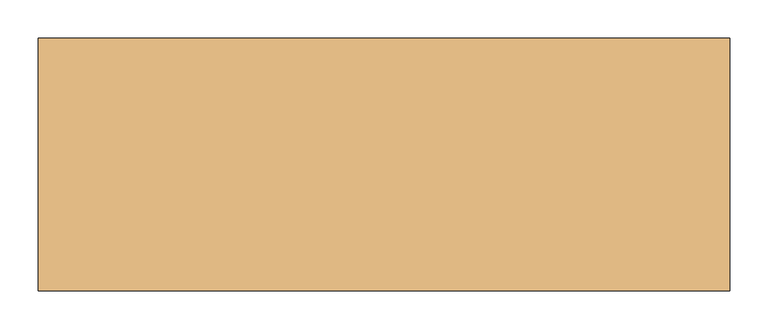
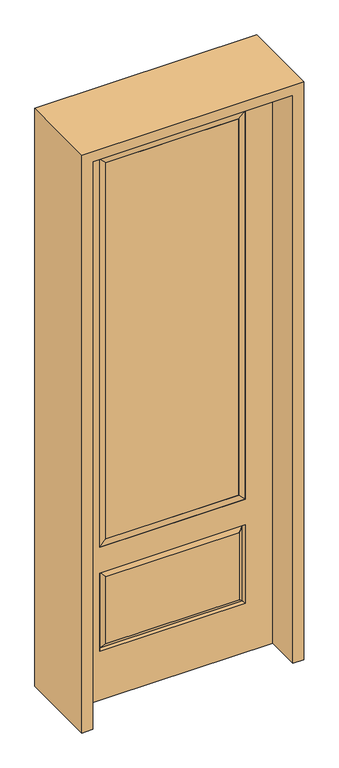
"""IFC4 building model written with IfcOpenShell, lengths in millimetres: door geometry."""

import ifcopenshell
import ifcopenshell.guid

model = None  # the IFC model being written
_history = None  # IfcOwnerHistory: only IFC2X3 demands one
_inside = {}  # id of a spatial element -> (the spatial element, [elements in it])
_under = {}  # id of a project, library or spatial element -> (it, [spatial elements below it])
_declared = {}  # id of a project -> (the project, [libraries it declares])
_typed = {}  # id of a type object -> (the type object, [elements of that type])
_made_of = {}  # id of a material, layer set ... -> (it, [elements and type objects made of it])


def new_model(schema):
    """Start an empty IFC model of exactly this schema.

    Asked for "IFC4X3", IfcOpenShell would pick the latest addendum, in which some entities
    have other attributes; the version numbers below select the first issue.
    IFC2X3 requires an IfcOwnerHistory on every rooted entity: one is made here for all.
    """
    global model, _history
    if schema == "IFC4X3":
        model = ifcopenshell.file(schema_version=(4, 3, 0, 0))
    else:
        model = ifcopenshell.file(schema=schema)
    _inside.clear()
    _under.clear()
    _declared.clear()
    _typed.clear()
    _made_of.clear()
    _history = None
    if model.schema == "IFC2X3":
        org = make("IfcOrganization", Name="unknown")
        user = make(
            "IfcPersonAndOrganization",
            ThePerson=make("IfcPerson", FamilyName="unknown"),
            TheOrganization=org,
        )
        app = make(
            "IfcApplication",
            ApplicationDeveloper=org,
            Version="unknown",
            ApplicationFullName="unknown",
            ApplicationIdentifier="unknown",
        )
        _history = make(
            "IfcOwnerHistory",
            OwningUser=user,
            OwningApplication=app,
            ChangeAction="ADDED",
            CreationDate=0,
        )
    return model


def make(cls, **values):
    """One entity of the class cls with the attributes given. An attribute that is None is left unset."""
    return model.create_entity(
        cls, **{name: value for name, value in values.items() if value is not None}
    )


def rooted(cls, **values):
    """An entity with a GlobalId (a new one), such as an element, a storey or a relation."""
    return make(cls, GlobalId=ifcopenshell.guid.new(), OwnerHistory=_history, **values)


def si_unit(unit_type, name, prefix=None):
    """IfcSIUnit, for example si_unit("LENGTHUNIT", "METRE", prefix="MILLI")."""
    return make("IfcSIUnit", UnitType=unit_type, Prefix=prefix, Name=name)


def assignment(units):
    """IfcUnitAssignment: the units of a project."""
    return None if units is None else make("IfcUnitAssignment", Units=units)


def point(xyz):
    """IfcCartesianPoint."""
    return None if xyz is None else make("IfcCartesianPoint", Coordinates=xyz)


def direction(xyz):
    """IfcDirection."""
    return None if xyz is None else make("IfcDirection", DirectionRatios=xyz)


def frame(location, z_axis=None, x_axis=None):
    """IfcAxis2Placement3D, a coordinate frame: its origin and axes. An axis left out is left unset."""
    return make(
        "IfcAxis2Placement3D",
        Location=point(location),
        Axis=direction(z_axis),
        RefDirection=direction(x_axis),
    )


def origin():
    """The frame at (0, 0, 0) with its axes left unset."""
    return frame((0.0, 0.0, 0.0))


def place(relative_to, where):
    """IfcLocalPlacement: puts the frame where relative to a parent placement (None: the world)."""
    return make(
        "IfcLocalPlacement", PlacementRelTo=relative_to, RelativePlacement=where
    )


def context(
    kind, dimensions, precision=None, world=None, true_north=None, identifier=None
):
    """IfcGeometricRepresentationContext, for example the 3D "Model" context."""
    return make(
        "IfcGeometricRepresentationContext",
        ContextIdentifier=identifier,
        ContextType=kind,
        CoordinateSpaceDimension=dimensions,
        Precision=precision,
        WorldCoordinateSystem=world,
        TrueNorth=true_north,
    )


def project(units=None, contexts=None):
    """IfcProject with its units and contexts."""
    return rooted(
        "IfcProject",
        Name="project",
        RepresentationContexts=contexts,
        UnitsInContext=assignment(units),
    )


def spatial(cls, under=None, at=None, **own):
    """A site, building, storey or space (cls), placed at a placement, below another one or the project."""
    s = rooted(cls, ObjectPlacement=at, **own)
    if under is not None:
        _under.setdefault(under.id(), (under, []))[1].append(s)
    return s


def polyline(points):
    """IfcPolyline through the points."""
    return make("IfcPolyline", Points=[point(p) for p in points])


def outline(outer, holes=None, kind="AREA"):
    """IfcArbitraryClosedProfileDef: a profile drawn as a closed curve; with holes, ...WithVoids."""
    if holes is None:
        return make("IfcArbitraryClosedProfileDef", ProfileType=kind, OuterCurve=outer)
    return make(
        "IfcArbitraryProfileDefWithVoids",
        ProfileType=kind,
        OuterCurve=outer,
        InnerCurves=holes,
    )


def extrude(swept, where, along, depth):
    """IfcExtrudedAreaSolid: the profile swept, set in the frame where, extruded along a direction by depth."""
    return make(
        "IfcExtrudedAreaSolid",
        SweptArea=swept,
        Position=where,
        ExtrudedDirection=direction(along),
        Depth=depth,
    )


def faces_of(points, faces, orient=None, outer=None):
    """IfcFace entities. A face is a list of loops; a loop is a list of indices into points, from 0.

    orient and outer hold one flag for each loop. By default every Orientation is true, the
    first loop of a face is its IfcFaceOuterBound and the others are IfcFaceBound.
    """
    made = []
    for i, loops in enumerate(faces):
        bounds = []
        for j, loop in enumerate(loops):
            is_outer = j == 0 if outer is None else outer[i][j]
            bounds.append(
                make(
                    "IfcFaceOuterBound" if is_outer else "IfcFaceBound",
                    Bound=make("IfcPolyLoop", Polygon=[points[k] for k in loop]),
                    Orientation=True if orient is None else orient[i][j],
                )
            )
        made.append(make("IfcFace", Bounds=bounds))
    return made


def faceted_brep(points, faces, orient=None, outer=None, voids=None):
    """IfcFacetedBrep: a solid bounded by flat faces; with voids (closed shells), ...WithVoids."""
    shared = [point(p) for p in points]
    hull = make("IfcClosedShell", CfsFaces=faces_of(shared, faces, orient, outer))
    if voids is None:
        return make("IfcFacetedBrep", Outer=hull)
    return make(
        "IfcFacetedBrepWithVoids",
        Outer=hull,
        Voids=[
            make(cls, CfsFaces=faces_of(shared, fs, o, b)) for cls, fs, o, b in voids
        ],
    )


def shape(context_of_items, identifier, shape_type, items):
    """IfcShapeRepresentation: the items that make up one representation, for example the "Body"."""
    return make(
        "IfcShapeRepresentation",
        ContextOfItems=context_of_items,
        RepresentationIdentifier=identifier,
        RepresentationType=shape_type,
        Items=items,
    )


def source(mapping_origin, context_of_items, identifier, shape_type, items):
    """IfcRepresentationMap: a shape defined once, which mapped items show again and again."""
    return make(
        "IfcRepresentationMap",
        MappingOrigin=mapping_origin,
        MappedRepresentation=shape(context_of_items, identifier, shape_type, items),
    )


def transform(
    local_origin,
    x_axis=None,
    y_axis=None,
    z_axis=None,
    scale=None,
    scale2=None,
    scale3=None,
    uniform=True,
):
    """IfcCartesianTransformationOperator3D, or its non-uniform kind. x_axis, y_axis, z_axis: its Axis1, 2, 3."""
    if uniform:
        return make(
            "IfcCartesianTransformationOperator3D",
            Axis1=direction(x_axis),
            Axis2=direction(y_axis),
            LocalOrigin=point(local_origin),
            Scale=scale,
            Axis3=direction(z_axis),
        )
    return make(
        "IfcCartesianTransformationOperator3DnonUniform",
        Axis1=direction(x_axis),
        Axis2=direction(y_axis),
        LocalOrigin=point(local_origin),
        Scale=scale,
        Axis3=direction(z_axis),
        Scale2=scale2,
        Scale3=scale3,
    )


def mapped(mapping_source, mapping_target):
    """IfcMappedItem: shows the shape of a source again, moved by a transform."""
    return make(
        "IfcMappedItem", MappingSource=mapping_source, MappingTarget=mapping_target
    )


def made_of(thing, what):
    """Note that an element or type object is made of a material, layer set ...; save() writes the relation."""
    if what is not None:
        _made_of.setdefault(what.id(), (what, []))[1].append(thing)
    return thing


def element(
    cls,
    number,
    at=None,
    inside=None,
    cuts=None,
    type_object=None,
    material=None,
    context=None,
    identifier="Body",
    shape_type=None,
    held_by="IfcProductDefinitionShape",
    body=None,
    shapes=None,
    **own,
):
    """One element of the class cls, such as IfcWall. Its Tag is "e" and its number.

    at: its placement. inside: the storey or other place that contains it. cuts: it is an
    opening in that element (IfcRelVoidsElement). A single representation is given by context,
    identifier, shape_type and body (its items); several are given by shapes. held_by: the class
    of the entity that holds the representations. save() writes the other relations.
    """
    e = rooted(cls, Tag="e%d" % number, ObjectPlacement=at, **own)
    if body is not None:
        shapes = [shape(context, identifier, shape_type, body)]
    if shapes is not None:
        e.Representation = make(held_by, Representations=shapes)
    if inside is not None:
        _inside.setdefault(inside.id(), (inside, []))[1].append(e)
    if cuts is not None:
        rooted(
            "IfcRelVoidsElement", RelatingBuildingElement=cuts, RelatedOpeningElement=e
        )
    if type_object is not None:
        _typed.setdefault(type_object.id(), (type_object, []))[1].append(e)
    return made_of(e, material)


def aggregate(whole, parts):
    """IfcRelAggregates: a whole, such as a stair, and the parts it consists of."""
    return rooted("IfcRelAggregates", RelatingObject=whole, RelatedObjects=parts)


def save(model, path):
    """Write the relations noted so far, then the file.

    IfcRelAggregates (storeys below a building ...), IfcRelContainedInSpatialStructure (elements
    in a storey), IfcRelDefinesByType, IfcRelAssociatesMaterial and IfcRelDeclares: one each for
    every whole, place, type object, material and project.
    """
    for whole, parts in _under.values():
        aggregate(whole, parts)
    for where, things in _inside.values():
        rooted(
            "IfcRelContainedInSpatialStructure",
            RelatedElements=things,
            RelatingStructure=where,
        )
    for kind, things in _typed.values():
        rooted("IfcRelDefinesByType", RelatedObjects=things, RelatingType=kind)
    for what, things in _made_of.values():
        rooted("IfcRelAssociatesMaterial", RelatedObjects=things, RelatingMaterial=what)
    for by, libraries in _declared.values():
        rooted("IfcRelDeclares", RelatingContext=by, RelatedDefinitions=libraries)
    model.write(path)


def door_3caee633(model_context):
    return source(origin(), model_context, "Body", "SolidModel", [
        extrude(outline(polyline([(269.875, -20.32), (-269.875, -20.32), (-269.875, 5.08), (269.875, 5.08), (269.875, -20.32)])), frame((0.0, 0.0, 682.498), z_axis=(0.0, 0.0, 1.0), x_axis=(1.0, 0.0, 0.0)), (0.0, 0.0, 1.0), 1616.202),
        faceted_brep([(-288.1661499, -12.7912373, 216.6588501), (288.1661499, -12.7912373, 216.6588501), (270.66875, -22.225, 234.15625), (-270.66875, -22.225, 234.15625), (-295.275, -22.225, 209.55), (295.275, -22.225, 209.55), (-288.1661499, -12.7912373, 538.9911499), (-295.275, -22.225, 546.1), (270.66875, -22.225, 521.49375), (-270.66875, -22.225, 521.49375), (406.4, -22.225, 2438.4), (-406.4, -22.225, 2438.4), (-406.4, -22.225, 0.0), (406.4, -22.225, 0.0), (295.275, -22.225, 546.1), (295.275, -22.225, 2324.1), (295.275, -22.225, 657.098), (-295.275, -22.225, 657.098), (-295.275, -22.225, 2324.1), (288.1661499, -12.7912373, 538.9911499), (-406.4, 22.225, 2438.4), (-406.4, 22.225, 0.0), (406.4, 22.225, 0.0), (406.4, 22.225, 2438.4), (295.275, 22.225, 2324.1), (295.275, 22.225, 657.098), (-295.275, 22.225, 657.098), (-295.275, 22.225, 2324.1), (-295.275, 22.225, 209.55), (295.275, 22.225, 209.55), (295.275, 22.225, 546.1), (-295.275, 22.225, 546.1), (270.66875, 22.225, 234.15625), (-270.66875, 22.225, 234.15625), (-270.66875, 22.225, 521.49375), (270.66875, 22.225, 521.49375), (-288.1661499, 12.7912373, 216.6588501), (288.1661499, 12.7912373, 216.6588501), (288.1661499, 12.7912373, 538.9911499), (-288.1661499, 12.7912373, 538.9911499)], [[[0, 1, 2, 3]], [[1, 0, 4, 5]], [[4, 0, 6, 7]], [[3, 2, 8, 9]], [[10, 11, 12, 13], [5, 4, 7, 14], [15, 16, 17, 18]], [[1, 5, 14, 19]], [[2, 1, 19, 8]], [[0, 3, 9, 6]], [[7, 6, 19, 14]], [[6, 9, 8, 19]], [[12, 11, 20, 21]], [[13, 12, 21, 22]], [[10, 13, 22, 23]], [[16, 15, 24, 25]], [[17, 16, 25, 26]], [[18, 17, 26, 27]], [[23, 22, 21, 20], [28, 29, 30, 31], [24, 27, 26, 25]], [[32, 33, 34, 35]], [[28, 36, 37, 29]], [[29, 37, 38, 30]], [[39, 31, 30, 38]], [[36, 28, 31, 39]], [[37, 36, 33, 32]], [[33, 36, 39, 34]], [[34, 39, 38, 35]], [[37, 32, 35, 38]], [[11, 10, 23, 20]], [[15, 18, 27, 24]]]),
        faceted_brep([(-295.275, -22.225, 2324.1), (-295.275, 22.225, 2324.1), (-295.275, 22.225, 657.098), (-295.275, -22.225, 657.098), (295.275, 22.225, 657.098), (295.275, -22.225, 657.098), (-269.875, 5.08, 682.498), (269.875, 5.08, 682.498), (295.275, 22.225, 2324.1), (295.275, -22.225, 2324.1), (-269.875, -20.32, 682.498), (269.875, -20.32, 682.498), (-269.875, -20.32, 2298.7), (269.875, -20.32, 2298.7), (-269.875, 5.08, 2298.7), (269.875, 5.08, 2298.7)], [[[0, 1, 2, 3]], [[3, 2, 4, 5]], [[2, 6, 7, 4]], [[5, 4, 8, 9]], [[10, 3, 5, 11]], [[12, 0, 3, 10]], [[11, 5, 9, 13]], [[6, 10, 11, 7]], [[14, 12, 10, 6]], [[7, 11, 13, 15]], [[1, 14, 6, 2]], [[4, 7, 15, 8]], [[9, 8, 1, 0]], [[13, 9, 0, 12]], [[15, 13, 12, 14]], [[8, 15, 14, 1]]]),
        extrude(outline(polyline([(2482.85, -450.85), (0.0, -450.85), (0.0, -406.4), (2438.4, -406.4), (2438.4, 406.4), (0.0, 406.4), (0.0, 450.85), (2482.85, 450.85), (2482.85, -450.85)])), frame((0.0, -165.1, 0.0), z_axis=(0.0, 1.0, 0.0), x_axis=(0.0, 0.0, 1.0)), (0.0, 0.0, 1.0), 330.2),
    ])


if __name__ == "__main__":
    model = new_model("IFC4")
    model_context = context("Model", 3, world=origin())
    ifc_project = project(units=[si_unit("LENGTHUNIT", "METRE", prefix="MILLI")], contexts=[model_context])
    site = spatial("IfcSite", under=ifc_project)
    building = spatial("IfcBuilding", under=site)
    placement = place(None, origin())
    door_shape = door_3caee633(model_context)
    element("IfcDoor", 1, at=placement, inside=building, context=model_context, shape_type="MappedRepresentation", body=[
        mapped(door_shape, transform((0.0, 0.0, 0.0), x_axis=(1.0, 0.0, 0.0), y_axis=(0.0, 1.0, 0.0), z_axis=(0.0, 0.0, 1.0))),
    ])
    save(model, "model.ifc")
